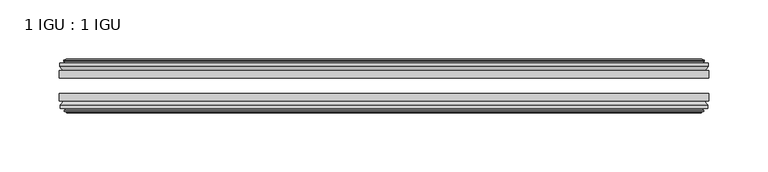
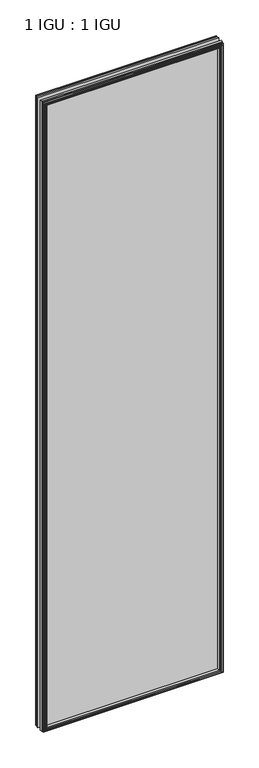
"""IFC4 building model written with IfcOpenShell, lengths in millimetres: plate geometry, 1 IGU : 1 IGU."""

from ifc_helpers import new_model, si_unit, frame, origin, place, context, project, spatial, polyline, outline, extrude, faceted_brep, source, transform, mapped, element, save


def plate_1_igu_1_igu_940cbf67(model_context):
    return source(origin(), model_context, "Body", "SolidModel", [
        extrude(outline(polyline([(273.7421419, -19.5460937), (273.7421419, -25.8960938), (-273.7421419, -25.8960938), (-273.7421419, -19.5460937), (273.7421419, -19.5460937)])), frame((0.0, 0.0, -12.7), z_axis=(0.0, 0.0, 1.0), x_axis=(1.0, 0.0, 0.0)), (0.0, 0.0, 1.0), 2019.3),
        extrude(outline(polyline([(-273.7421419, -44.9460938), (-273.7421419, -38.9186737), (273.7421419, -38.9186737), (273.7421419, -44.9460938), (-273.7421419, -44.9460938)])), frame((0.0, 0.0, -12.7), z_axis=(0.0, 0.0, 1.0), x_axis=(1.0, 0.0, 0.0)), (0.0, 0.0, 1.0), 2019.3),
        faceted_brep([(-268.1541419, -53.6762907, 2001.012), (-268.5351419, -51.2960937, 2001.393), (-268.5351419, -51.2960937, -7.493), (-268.1541419, -53.6762907, -7.112), (-269.569671, -53.2163575, 2002.4275291), (-269.569671, -53.2163575, -8.5275291), (-269.569671, -54.0175717, 2002.4275291), (-269.569671, -54.0175717, -8.5275291), (-267.3921419, -54.7250937, 2000.25), (-267.3921419, -54.7250937, -6.35), (-265.2146129, -54.0175717, 1998.0724709), (-265.2146129, -54.0175717, -4.1724709), (-265.2146129, -53.2163575, 1998.0724709), (-265.2146129, -53.2163575, -4.1724709), (-266.6301419, -53.6762907, 1999.488), (-266.6301419, -53.6762907, -5.588), (-266.2491419, -51.2960937, 1999.107), (-266.2491419, -51.2960937, -5.207), (-259.3244238, -44.9460937, 1992.1822819), (-261.0421419, -51.2960937, 1993.9), (-261.0421419, -51.2960937, 0.0), (-259.3244238, -44.9460937, 1.7177181), (-272.9801419, -48.3496937, 2005.838), (-270.1457997, -44.9460937, 2003.0036578), (-270.1457997, -44.9460937, -9.1036578), (-272.9801419, -48.3496937, -11.938), (-272.9801419, -51.2960937, 2005.838), (-272.9801419, -51.2960937, -11.938), (268.5351419, -51.2960938, -7.493), (268.1541419, -53.6762907, -7.112), (269.569671, -53.2163575, -8.5275291), (269.569671, -54.0175717, -8.5275291), (267.3921419, -54.7250937, -6.35), (265.2146129, -54.0175717, -4.1724709), (265.2146129, -53.2163575, -4.1724709), (266.6301419, -53.6762907, -5.588), (266.2491419, -51.2960937, -5.207), (261.0421419, -51.2960937, 0.0), (259.3244238, -44.9460937, 1.7177181), (270.1457997, -44.9460937, -9.1036578), (272.9801419, -48.3496937, -11.938), (272.9801419, -51.2960938, -11.938), (268.5351419, -51.2960938, 2001.393), (268.1541419, -53.6762907, 2001.012), (269.569671, -53.2163575, 2002.4275291), (269.569671, -54.0175717, 2002.4275291), (267.3921419, -54.7250937, 2000.25), (265.2146129, -54.0175717, 1998.0724709), (265.2146129, -53.2163575, 1998.0724709), (266.6301419, -53.6762907, 1999.488), (266.2491419, -51.2960937, 1999.107), (261.0421419, -51.2960937, 1993.9), (259.3244238, -44.9460937, 1992.1822819), (270.1457997, -44.9460937, 2003.0036578), (272.9801419, -48.3496937, 2005.838), (272.9801419, -51.2960938, 2005.838)], [[[0, 1, 2, 3]], [[4, 0, 3, 5]], [[6, 4, 5, 7]], [[8, 6, 7, 9]], [[10, 8, 9, 11]], [[12, 10, 11, 13]], [[14, 12, 13, 15]], [[16, 14, 15, 17]], [[18, 19, 20, 21]], [[22, 23, 24, 25]], [[26, 22, 25, 27]], [[3, 2, 28, 29]], [[5, 3, 29, 30]], [[7, 5, 30, 31]], [[9, 7, 31, 32]], [[11, 9, 32, 33]], [[13, 11, 33, 34]], [[15, 13, 34, 35]], [[17, 15, 35, 36]], [[21, 20, 37, 38]], [[25, 24, 39, 40]], [[27, 25, 40, 41]], [[29, 28, 42, 43]], [[30, 29, 43, 44]], [[31, 30, 44, 45]], [[32, 31, 45, 46]], [[33, 32, 46, 47]], [[34, 33, 47, 48]], [[35, 34, 48, 49]], [[36, 35, 49, 50]], [[38, 37, 51, 52]], [[40, 39, 53, 54]], [[41, 40, 54, 55]], [[27, 41, 55, 26], [1, 42, 28, 2]], [[43, 42, 1, 0]], [[44, 43, 0, 4]], [[45, 44, 4, 6]], [[46, 45, 6, 8]], [[47, 46, 8, 10]], [[48, 47, 10, 12]], [[49, 48, 12, 14]], [[50, 49, 14, 16]], [[17, 36, 50, 16], [19, 51, 37, 20]], [[52, 51, 19, 18]], [[23, 53, 39, 24], [21, 38, 52, 18]], [[54, 53, 23, 22]], [[55, 54, 22, 26]]]),
        faceted_brep([(-270.6664997, -19.5460937, 2003.5243578), (-273.5008419, -16.1424937, 2006.3587), (-273.5008419, -16.1424937, -12.4587), (-270.6664997, -19.5460937, -9.6243578), (-261.5628419, -13.1960937, 1994.4207), (-259.8451238, -19.5460937, 1992.7029819), (-259.8451238, -19.5460937, 1.1970181), (-261.5628419, -13.1960937, -0.5207), (-267.1508419, -10.8158968, 2000.0087), (-266.7698419, -13.1960937, 1999.6277), (-266.7698419, -13.1960937, -5.7277), (-267.1508419, -10.8158968, -6.1087), (-265.7353129, -11.27583, 1998.5931709), (-265.7353129, -11.27583, -4.6931709), (-265.7353129, -10.4746158, 1998.5931709), (-265.7353129, -10.4746158, -4.6931709), (-267.9128419, -9.7670937, 2000.7707), (-267.9128419, -9.7670937, -6.8707), (-270.090371, -10.4746158, 2002.9482291), (-270.090371, -10.4746158, -9.0482291), (-270.090371, -11.27583, 2002.9482291), (-270.090371, -11.27583, -9.0482291), (-268.6748419, -10.8158968, 2001.5327), (-268.6748419, -10.8158968, -7.6327), (-269.0558419, -13.1960937, 2001.9137), (-269.0558419, -13.1960937, -8.0137), (-273.5008419, -13.1960937, 2006.3587), (-273.5008419, -13.1960937, -12.4587), (273.5008419, -16.1424937, -12.4587), (270.6664997, -19.5460937, -9.6243578), (259.8451238, -19.5460937, 1.1970181), (261.5628419, -13.1960937, -0.5207), (266.7698419, -13.1960937, -5.7277), (267.1508419, -10.8158968, -6.1087), (265.7353129, -11.27583, -4.6931709), (265.7353129, -10.4746158, -4.6931709), (267.9128419, -9.7670937, -6.8707), (270.090371, -10.4746158, -9.0482291), (270.090371, -11.27583, -9.0482291), (268.6748419, -10.8158968, -7.6327), (269.0558419, -13.1960937, -8.0137), (273.5008419, -13.1960937, -12.4587), (273.5008419, -16.1424937, 2006.3587), (270.6664997, -19.5460937, 2003.5243578), (259.8451238, -19.5460937, 1992.7029819), (261.5628419, -13.1960937, 1994.4207), (266.7698419, -13.1960937, 1999.6277), (267.1508419, -10.8158968, 2000.0087), (265.7353129, -11.27583, 1998.5931709), (265.7353129, -10.4746158, 1998.5931709), (267.9128419, -9.7670937, 2000.7707), (270.090371, -10.4746158, 2002.9482291), (270.090371, -11.27583, 2002.9482291), (268.6748419, -10.8158968, 2001.5327), (269.0558419, -13.1960937, 2001.9137), (273.5008419, -13.1960937, 2006.3587)], [[[0, 1, 2, 3]], [[4, 5, 6, 7]], [[8, 9, 10, 11]], [[12, 8, 11, 13]], [[14, 12, 13, 15]], [[16, 14, 15, 17]], [[18, 16, 17, 19]], [[20, 18, 19, 21]], [[22, 20, 21, 23]], [[24, 22, 23, 25]], [[1, 26, 27, 2]], [[3, 2, 28, 29]], [[7, 6, 30, 31]], [[11, 10, 32, 33]], [[13, 11, 33, 34]], [[15, 13, 34, 35]], [[17, 15, 35, 36]], [[19, 17, 36, 37]], [[21, 19, 37, 38]], [[23, 21, 38, 39]], [[25, 23, 39, 40]], [[2, 27, 41, 28]], [[29, 28, 42, 43]], [[31, 30, 44, 45]], [[33, 32, 46, 47]], [[34, 33, 47, 48]], [[35, 34, 48, 49]], [[36, 35, 49, 50]], [[37, 36, 50, 51]], [[38, 37, 51, 52]], [[39, 38, 52, 53]], [[40, 39, 53, 54]], [[28, 41, 55, 42]], [[43, 42, 1, 0]], [[3, 29, 43, 0], [5, 44, 30, 6]], [[45, 44, 5, 4]], [[9, 46, 32, 10], [7, 31, 45, 4]], [[47, 46, 9, 8]], [[48, 47, 8, 12]], [[49, 48, 12, 14]], [[50, 49, 14, 16]], [[51, 50, 16, 18]], [[52, 51, 18, 20]], [[53, 52, 20, 22]], [[54, 53, 22, 24]], [[26, 55, 41, 27], [25, 40, 54, 24]], [[42, 55, 26, 1]]]),
    ])


if __name__ == "__main__":
    model = new_model("IFC4")
    model_context = context("Model", 3, world=origin())
    ifc_project = project(units=[si_unit("LENGTHUNIT", "METRE", prefix="MILLI")], contexts=[model_context])
    site = spatial("IfcSite", under=ifc_project)
    building = spatial("IfcBuilding", under=site)
    placement = place(None, origin())
    plate_1_igu_1_igu_shape = plate_1_igu_1_igu_940cbf67(model_context)
    element("IfcPlate", 1, ObjectType="1 IGU : 1 IGU", at=placement, inside=building, context=model_context, shape_type="MappedRepresentation", body=[
        mapped(plate_1_igu_1_igu_shape, transform((0.0, 0.0, 0.0), x_axis=(1.0, 0.0, 0.0), y_axis=(0.0, 1.0, 0.0), z_axis=(0.0, 0.0, 1.0))),
    ])
    save(model, "model.ifc")
